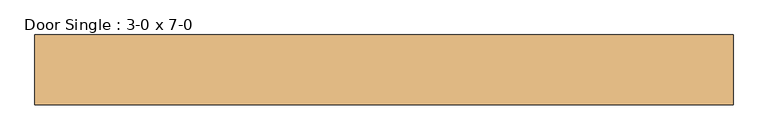
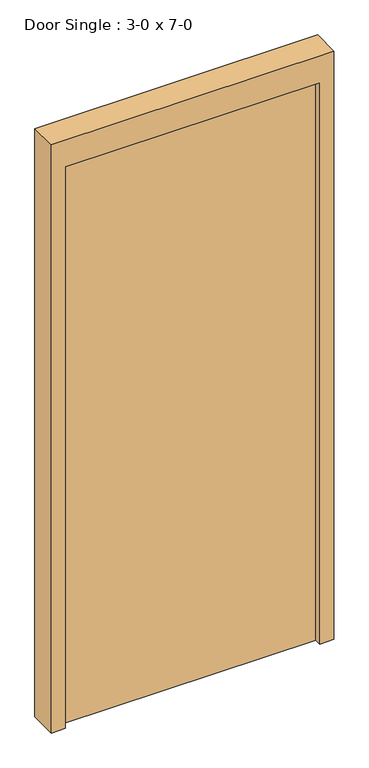
"""IFC4 building model written with IfcOpenShell, lengths in millimetres: door geometry, Door Single : 3-0 x 7-0."""

from ifc_helpers import new_model, si_unit, frame, origin, origin_with_axes, place, context, project, spatial, polyline, outline, extrude, source, transform, mapped, element, save


def door_single_3_0_x_7_0_eca5cfc2(model_context):
    return source(origin(), model_context, "Body", "SweptSolid", [
        extrude(outline(polyline([(2133.6, 457.2), (0.0, 457.2), (0.0, 508.0), (2235.2, 508.0), (2235.2, -508.0), (0.0, -508.0), (0.0, -457.2), (2133.6, -457.2), (2133.6, 457.2)])), frame((0.0, -63.5, 0.0), z_axis=(0.0, 1.0, 0.0), x_axis=(0.0, 0.0, 1.0)), (0.0, 0.0, 1.0), 101.6),
        extrude(outline(polyline([(457.2, -38.1), (-457.2, -38.1), (-457.2, 12.7), (457.2, 12.7), (457.2, -38.1)])), origin_with_axes(), (0.0, 0.0, 1.0), 2133.6),
    ])


if __name__ == "__main__":
    model = new_model("IFC4")
    model_context = context("Model", 3, world=origin())
    ifc_project = project(units=[si_unit("LENGTHUNIT", "METRE", prefix="MILLI")], contexts=[model_context])
    site = spatial("IfcSite", under=ifc_project)
    building = spatial("IfcBuilding", under=site)
    placement = place(None, origin())
    door_single_3_0_x_7_0_shape = door_single_3_0_x_7_0_eca5cfc2(model_context)
    element("IfcDoor", 1, ObjectType="Door Single : 3-0 x 7-0", at=placement, inside=building, context=model_context, shape_type="MappedRepresentation", body=[
        mapped(door_single_3_0_x_7_0_shape, transform((0.0, 0.0, 0.0), x_axis=(1.0, 0.0, 0.0), y_axis=(0.0, 1.0, 0.0), z_axis=(0.0, 0.0, 1.0))),
    ])
    save(model, "model.ifc")
